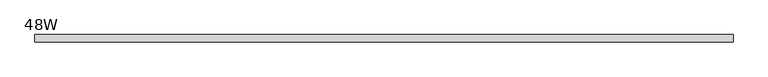
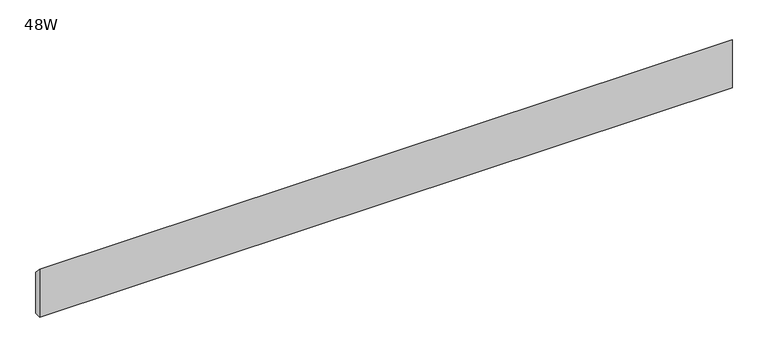
"""IFC4 building model written with IfcOpenShell, lengths in millimetres: furniture geometry, 48W."""

import ifcopenshell
import ifcopenshell.guid

model = None  # the IFC model being written
_history = None  # IfcOwnerHistory: only IFC2X3 demands one
_inside = {}  # id of a spatial element -> (the spatial element, [elements in it])
_under = {}  # id of a project, library or spatial element -> (it, [spatial elements below it])
_declared = {}  # id of a project -> (the project, [libraries it declares])
_typed = {}  # id of a type object -> (the type object, [elements of that type])
_made_of = {}  # id of a material, layer set ... -> (it, [elements and type objects made of it])


def new_model(schema):
    """Start an empty IFC model of exactly this schema.

    Asked for "IFC4X3", IfcOpenShell would pick the latest addendum, in which some entities
    have other attributes; the version numbers below select the first issue.
    IFC2X3 requires an IfcOwnerHistory on every rooted entity: one is made here for all.
    """
    global model, _history
    if schema == "IFC4X3":
        model = ifcopenshell.file(schema_version=(4, 3, 0, 0))
    else:
        model = ifcopenshell.file(schema=schema)
    _inside.clear()
    _under.clear()
    _declared.clear()
    _typed.clear()
    _made_of.clear()
    _history = None
    if model.schema == "IFC2X3":
        org = make("IfcOrganization", Name="unknown")
        user = make(
            "IfcPersonAndOrganization",
            ThePerson=make("IfcPerson", FamilyName="unknown"),
            TheOrganization=org,
        )
        app = make(
            "IfcApplication",
            ApplicationDeveloper=org,
            Version="unknown",
            ApplicationFullName="unknown",
            ApplicationIdentifier="unknown",
        )
        _history = make(
            "IfcOwnerHistory",
            OwningUser=user,
            OwningApplication=app,
            ChangeAction="ADDED",
            CreationDate=0,
        )
    return model


def make(cls, **values):
    """One entity of the class cls with the attributes given. An attribute that is None is left unset."""
    return model.create_entity(
        cls, **{name: value for name, value in values.items() if value is not None}
    )


def rooted(cls, **values):
    """An entity with a GlobalId (a new one), such as an element, a storey or a relation."""
    return make(cls, GlobalId=ifcopenshell.guid.new(), OwnerHistory=_history, **values)


def si_unit(unit_type, name, prefix=None):
    """IfcSIUnit, for example si_unit("LENGTHUNIT", "METRE", prefix="MILLI")."""
    return make("IfcSIUnit", UnitType=unit_type, Prefix=prefix, Name=name)


def assignment(units):
    """IfcUnitAssignment: the units of a project."""
    return None if units is None else make("IfcUnitAssignment", Units=units)


def point(xyz):
    """IfcCartesianPoint."""
    return None if xyz is None else make("IfcCartesianPoint", Coordinates=xyz)


def direction(xyz):
    """IfcDirection."""
    return None if xyz is None else make("IfcDirection", DirectionRatios=xyz)


def frame(location, z_axis=None, x_axis=None):
    """IfcAxis2Placement3D, a coordinate frame: its origin and axes. An axis left out is left unset."""
    return make(
        "IfcAxis2Placement3D",
        Location=point(location),
        Axis=direction(z_axis),
        RefDirection=direction(x_axis),
    )


def origin():
    """The frame at (0, 0, 0) with its axes left unset."""
    return frame((0.0, 0.0, 0.0))


def place(relative_to, where):
    """IfcLocalPlacement: puts the frame where relative to a parent placement (None: the world)."""
    return make(
        "IfcLocalPlacement", PlacementRelTo=relative_to, RelativePlacement=where
    )


def context(
    kind, dimensions, precision=None, world=None, true_north=None, identifier=None
):
    """IfcGeometricRepresentationContext, for example the 3D "Model" context."""
    return make(
        "IfcGeometricRepresentationContext",
        ContextIdentifier=identifier,
        ContextType=kind,
        CoordinateSpaceDimension=dimensions,
        Precision=precision,
        WorldCoordinateSystem=world,
        TrueNorth=true_north,
    )


def project(units=None, contexts=None):
    """IfcProject with its units and contexts."""
    return rooted(
        "IfcProject",
        Name="project",
        RepresentationContexts=contexts,
        UnitsInContext=assignment(units),
    )


def spatial(cls, under=None, at=None, **own):
    """A site, building, storey or space (cls), placed at a placement, below another one or the project."""
    s = rooted(cls, ObjectPlacement=at, **own)
    if under is not None:
        _under.setdefault(under.id(), (under, []))[1].append(s)
    return s


def polyline(points):
    """IfcPolyline through the points."""
    return make("IfcPolyline", Points=[point(p) for p in points])


def outline(outer, holes=None, kind="AREA"):
    """IfcArbitraryClosedProfileDef: a profile drawn as a closed curve; with holes, ...WithVoids."""
    if holes is None:
        return make("IfcArbitraryClosedProfileDef", ProfileType=kind, OuterCurve=outer)
    return make(
        "IfcArbitraryProfileDefWithVoids",
        ProfileType=kind,
        OuterCurve=outer,
        InnerCurves=holes,
    )


def extrude(swept, where, along, depth):
    """IfcExtrudedAreaSolid: the profile swept, set in the frame where, extruded along a direction by depth."""
    return make(
        "IfcExtrudedAreaSolid",
        SweptArea=swept,
        Position=where,
        ExtrudedDirection=direction(along),
        Depth=depth,
    )


def shape(context_of_items, identifier, shape_type, items):
    """IfcShapeRepresentation: the items that make up one representation, for example the "Body"."""
    return make(
        "IfcShapeRepresentation",
        ContextOfItems=context_of_items,
        RepresentationIdentifier=identifier,
        RepresentationType=shape_type,
        Items=items,
    )


def source(mapping_origin, context_of_items, identifier, shape_type, items):
    """IfcRepresentationMap: a shape defined once, which mapped items show again and again."""
    return make(
        "IfcRepresentationMap",
        MappingOrigin=mapping_origin,
        MappedRepresentation=shape(context_of_items, identifier, shape_type, items),
    )


def transform(
    local_origin,
    x_axis=None,
    y_axis=None,
    z_axis=None,
    scale=None,
    scale2=None,
    scale3=None,
    uniform=True,
):
    """IfcCartesianTransformationOperator3D, or its non-uniform kind. x_axis, y_axis, z_axis: its Axis1, 2, 3."""
    if uniform:
        return make(
            "IfcCartesianTransformationOperator3D",
            Axis1=direction(x_axis),
            Axis2=direction(y_axis),
            LocalOrigin=point(local_origin),
            Scale=scale,
            Axis3=direction(z_axis),
        )
    return make(
        "IfcCartesianTransformationOperator3DnonUniform",
        Axis1=direction(x_axis),
        Axis2=direction(y_axis),
        LocalOrigin=point(local_origin),
        Scale=scale,
        Axis3=direction(z_axis),
        Scale2=scale2,
        Scale3=scale3,
    )


def mapped(mapping_source, mapping_target):
    """IfcMappedItem: shows the shape of a source again, moved by a transform."""
    return make(
        "IfcMappedItem", MappingSource=mapping_source, MappingTarget=mapping_target
    )


def made_of(thing, what):
    """Note that an element or type object is made of a material, layer set ...; save() writes the relation."""
    if what is not None:
        _made_of.setdefault(what.id(), (what, []))[1].append(thing)
    return thing


def element(
    cls,
    number,
    at=None,
    inside=None,
    cuts=None,
    type_object=None,
    material=None,
    context=None,
    identifier="Body",
    shape_type=None,
    held_by="IfcProductDefinitionShape",
    body=None,
    shapes=None,
    **own,
):
    """One element of the class cls, such as IfcWall. Its Tag is "e" and its number.

    at: its placement. inside: the storey or other place that contains it. cuts: it is an
    opening in that element (IfcRelVoidsElement). A single representation is given by context,
    identifier, shape_type and body (its items); several are given by shapes. held_by: the class
    of the entity that holds the representations. save() writes the other relations.
    """
    e = rooted(cls, Tag="e%d" % number, ObjectPlacement=at, **own)
    if body is not None:
        shapes = [shape(context, identifier, shape_type, body)]
    if shapes is not None:
        e.Representation = make(held_by, Representations=shapes)
    if inside is not None:
        _inside.setdefault(inside.id(), (inside, []))[1].append(e)
    if cuts is not None:
        rooted(
            "IfcRelVoidsElement", RelatingBuildingElement=cuts, RelatedOpeningElement=e
        )
    if type_object is not None:
        _typed.setdefault(type_object.id(), (type_object, []))[1].append(e)
    return made_of(e, material)


def aggregate(whole, parts):
    """IfcRelAggregates: a whole, such as a stair, and the parts it consists of."""
    return rooted("IfcRelAggregates", RelatingObject=whole, RelatedObjects=parts)


def save(model, path):
    """Write the relations noted so far, then the file.

    IfcRelAggregates (storeys below a building ...), IfcRelContainedInSpatialStructure (elements
    in a storey), IfcRelDefinesByType, IfcRelAssociatesMaterial and IfcRelDeclares: one each for
    every whole, place, type object, material and project.
    """
    for whole, parts in _under.values():
        aggregate(whole, parts)
    for where, things in _inside.values():
        rooted(
            "IfcRelContainedInSpatialStructure",
            RelatedElements=things,
            RelatingStructure=where,
        )
    for kind, things in _typed.values():
        rooted("IfcRelDefinesByType", RelatedObjects=things, RelatingType=kind)
    for what, things in _made_of.values():
        rooted("IfcRelAssociatesMaterial", RelatedObjects=things, RelatingMaterial=what)
    for by, libraries in _declared.values():
        rooted("IfcRelDeclares", RelatingContext=by, RelatedDefinitions=libraries)
    model.write(path)


def furniture_48w_43e817cd(model_context):
    return source(origin(), model_context, "Body", "SweptSolid", [
        extrude(outline(polyline([(-11.938, 933.39666), (-11.938, 1015.94666), (0.0, 1003.24666), (0.0, 933.39666), (-11.938, 933.39666)])), frame((48.006, 0.0, 0.0), z_axis=(1.0, 0.0, 0.0), x_axis=(0.0, 1.0, 0.0)), (0.0, 0.0, 1.0), 1123.188),
    ])


if __name__ == "__main__":
    model = new_model("IFC4")
    model_context = context("Model", 3, world=origin())
    ifc_project = project(units=[si_unit("LENGTHUNIT", "METRE", prefix="MILLI")], contexts=[model_context])
    site = spatial("IfcSite", under=ifc_project)
    building = spatial("IfcBuilding", under=site)
    placement = place(None, origin())
    furniture_48w_shape = furniture_48w_43e817cd(model_context)
    element("IfcFurniture", 1, ObjectType="48W", at=placement, inside=building, context=model_context, shape_type="MappedRepresentation", body=[
        mapped(furniture_48w_shape, transform((0.0, 0.0, 0.0), x_axis=(1.0, 0.0, 0.0), y_axis=(0.0, 1.0, 0.0), z_axis=(0.0, 0.0, 1.0))),
    ])
    save(model, "model.ifc")
